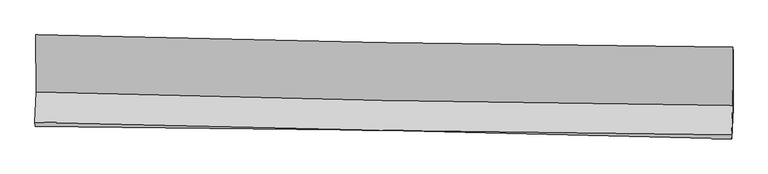
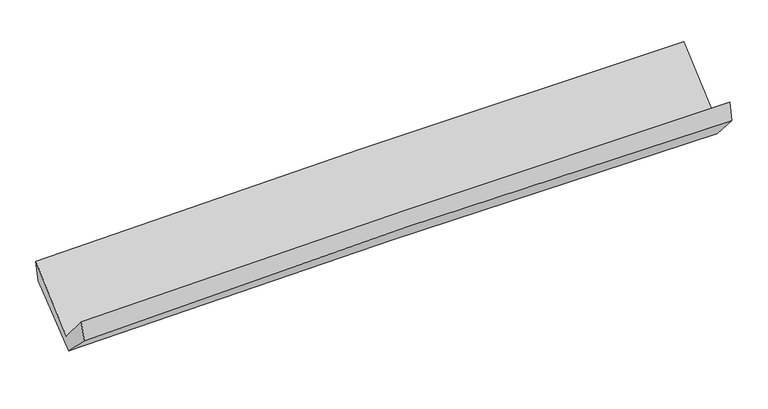
"""IFC4 building model written with IfcOpenShell, lengths in millimetres: proxy geometry."""

from ifc_helpers import new_model, si_unit, frame, origin, place, context, project, spatial, source, transform, mapped, element, save
from ifc_brep_helpers import plane_surface, spline_curve, spline_surface, advanced_brep


def generic_models_426780ea(model_context):
    return source(origin(), model_context, "Body", "AdvancedBrep", [
        advanced_brep(
        [(-3026.8435698, -1158.5422361, 2158.8285344), (-3025.5397801, -1655.3954101, 1712.8811737), (3016.2365511, -1773.6202399, 1859.151815), (3015.1492239, -1266.873359, 2302.2721606), (-3036.0794113, -1918.2347335, 2019.2536153), (3005.8425916, -2029.801619, 2163.6216345), (-3033.2955486, -1956.2644483, 1855.5025174), (3008.6131844, -2065.020652, 2002.6778996), (-3023.5573877, -1692.2870681, 1588.7115363), (3018.8932611, -1802.468688, 1708.6182367), (-3023.8488013, -1194.8118173, 1986.2492298), (3018.450422, -1300.1849464, 2117.1749915)],
        [
            (0, 1),
            (1, 2, spline_curve(3, [(-3025.5397801, -1655.3954101, 1712.8811737), (-2019.138578767, -1685.717434816, 1755.031686153), (-1012.444609062, -1710.73062453, 1788.296241232), (1001.480862681, -1750.138394934, 1837.052274404), (2008.712336699, -1764.533481666, 1852.544599895), (3016.2365511, -1773.6202399, 1859.151815)], [4, 2, 4], [0.0, 9.91663822801782, 19.832803714895242])),
            (2, 3),
            (3, 0, spline_curve(3, [(3015.1492239, -1266.873359, 2302.2721606), (2007.537913173, -1258.121549995, 2299.612773265), (1000.244852105, -1244.718377843, 2286.32998226), (-1013.752776006, -1208.608447029, 2238.516452841), (-2020.457313172, -1185.90124468, 2203.984701889), (-3026.8435698, -1158.5422361, 2158.8285344)], [4, 2, 4], [0.0, 9.916165486877421, 19.832803714895242])),
            (1, 4),
            (4, 5, spline_curve(3, [(-3036.0794113, -1918.2347335, 2019.2536153), (-2029.766554223, -1948.269377728, 2065.891930936), (-1023.104615907, -1972.584025292, 2101.241774356), (990.869418369, -2009.772441873, 2149.363371402), (1998.181480739, -2022.646755886, 2162.13620056), (3005.8425916, -2029.801619, 2163.6216345)], [4, 2, 4], [0.0, 9.916810035179472, 19.83314732102824])),
            (5, 2),
            (4, 6),
            (6, 7, spline_curve(3, [(-3033.2955486, -1956.2644483, 1855.5025174), (-2026.456029758, -1961.763613582, 1895.620018241), (-1019.531872315, -1973.576579859, 1927.943490531), (994.437713083, -2009.829249411, 1977.001208113), (2001.483133516, -2034.268351283, 1993.736196707), (3008.6131844, -2065.020652, 2002.6778996)], [4, 2, 4], [0.0, 9.91656012498785, 19.83264751255859])),
            (7, 5),
            (6, 8),
            (8, 9, spline_curve(3, [(-3023.5573877, -1692.2870681, 1588.7115363), (-2016.619764941, -1702.913671182, 1620.139103421), (-1009.601395026, -1717.409085157, 1645.845213895), (1004.548829088, -1754.136660793, 1685.813568407), (2011.680675376, -1776.368453181, 1700.076358105), (3018.8932611, -1802.468688, 1708.6182367)], [4, 2, 4], [0.0, 9.916343645864975, 19.83221456463273])),
            (9, 7),
            (8, 10),
            (10, 11, spline_curve(3, [(-3023.8488013, -1194.8118173, 1986.2492298), (-2016.986891756, -1203.034155896, 2023.186371244), (-1010.01899711, -1215.926739769, 2052.565501961), (1004.080754175, -1251.051561184, 2096.206702194), (2011.212600611, -1273.283353745, 2110.469491889), (3018.450422, -1300.1849464, 2117.1749915)], [4, 2, 4], [0.0, 9.916283013863826, 19.83209330352085])),
            (11, 9),
            (10, 0),
            (3, 11),
        ],
        [
            spline_surface(3, 3, [[(-3026.8435698, -1158.5422361, 2158.8285344), (-2020.457313068, -1185.90124483, 2203.984701933), (-1013.752776064, -1208.60844703, 2238.516452986), (1000.244852163, -1244.718377842, 2286.329982115), (2007.537913095, -1258.121549905, 2299.612773124), (3015.1492239, -1266.873359, 2302.2721606)], [(-3026.408973234, -1324.159960774, 2010.179414158), (-2020.017734971, -1352.506641479, 2054.333696657), (-1013.316720394, -1375.982506188, 2088.443049075), (1000.656855634, -1413.191716886, 2136.570746244), (2007.929387604, -1426.925527205, 2150.59004868), (3015.5116663, -1435.788985972, 2154.565378732)], [(-3025.974376666, -1489.777685426, 1861.530293942), (-2019.578156872, -1519.112038105, 1904.682691407), (-1012.880664675, -1543.356565339, 1938.369645104), (1001.068859154, -1581.665055922, 1986.811510314), (2008.320862113, -1595.729504489, 2001.567324239), (3015.8741087, -1604.704612928, 2006.858596868)], [(-3025.5397801, -1655.3954101, 1712.8811737), (-2019.138578774, -1685.717434754, 1755.031686131), (-1012.444609005, -1710.730624498, 1788.296241193), (1001.480862624, -1750.138394966, 1837.052274442), (2008.712336622, -1764.533481789, 1852.544599794), (3016.2365511, -1773.6202399, 1859.151815)]], [4, 4], [4, 2, 4], [0.0, 2.2156262762830927], [0.0, 9.91663822801782, 19.832803714895242]),
            spline_surface(3, 3, [[(-3025.5397801, -1655.3954101, 1712.8811737), (-2019.138578774, -1685.717434754, 1755.031686131), (-1012.444609005, -1710.730624498, 1788.296241193), (1001.480862624, -1750.138394966, 1837.052274442), (2008.712336622, -1764.533481789, 1852.544599794), (3016.2365511, -1773.6202399, 1859.151815)], [(-3029.052990526, -1743.008517898, 1815.005320886), (-2022.681237324, -1773.234749023, 1858.651767671), (-1015.997944634, -1798.015091429, 1892.611418946), (997.943714541, -1836.68307724, 1941.155973381), (2005.202051373, -1850.57123981, 1955.741800058), (3012.771897942, -1859.014032927, 1960.641754802)], [(-3032.566200874, -1830.621625702, 1917.129468114), (-2026.223895796, -1860.752063297, 1962.271849253), (-1019.551280273, -1885.299558403, 1996.926596722), (994.406566447, -1923.227759557, 2045.259672344), (2001.6917661, -1936.608997851, 2058.939000417), (3009.307244758, -1944.407825973, 2062.131694698)], [(-3036.0794113, -1918.2347335, 2019.2536153), (-2029.766554346, -1948.269377566, 2065.891930792), (-1023.104615902, -1972.584025334, 2101.241774475), (990.869418364, -2009.772441831, 2149.363371283), (1998.181480852, -2022.646755872, 2162.136200681), (3005.8425916, -2029.801619, 2163.6216345)]], [4, 4], [4, 2, 4], [0.0, 1.3360589911587826], [0.0, 9.916810035179472, 19.83314732102824]),
            spline_surface(3, 3, [[(-3036.0794113, -1918.2347335, 2019.2536153), (-2029.766554346, -1948.269377566, 2065.891930792), (-1023.104615902, -1972.584025334, 2101.241774475), (990.869418364, -2009.772441831, 2149.363371283), (1998.181480852, -2022.646755872, 2162.136200681), (3005.8425916, -2029.801619, 2163.6216345)], [(-3035.151457054, -1930.911305118, 1964.669916003), (-2028.663046132, -1952.767456249, 2009.134626646), (-1021.913701424, -1972.914876804, 2043.475679833), (992.058849995, -2009.791377751, 2091.909316917), (1999.282031778, -2026.520621019, 2106.002866034), (3006.76612252, -2041.541296657, 2109.973722871)], [(-3034.223502846, -1943.587876682, 1910.086216697), (-2027.559537957, -1957.265534878, 1952.37732249), (-1020.722786957, -1973.245728241, 1985.709585145), (993.248281616, -2009.810313638, 2034.455262507), (2000.382582744, -2030.394486193, 2049.869531375), (3007.68965348, -2053.280974343, 2056.325811229)], [(-3033.2955486, -1956.2644483, 1855.5025174), (-2026.456029742, -1961.763613561, 1895.620018344), (-1019.53187248, -1973.576579711, 1927.943490503), (994.437713247, -2009.829249558, 1977.001208141), (2001.48313367, -2034.26835134, 1993.736196728), (3008.6131844, -2065.020652, 2002.6778996)]], [4, 4], [4, 2, 4], [0.0, 0.5671519687550411], [0.0, 9.91656012498785, 19.83264751255859]),
            spline_surface(3, 3, [[(-3033.2955486, -1956.2644483, 1855.5025174), (-2026.456029742, -1961.763613561, 1895.620018344), (-1019.53187248, -1973.576579711, 1927.943490503), (994.437713247, -2009.829249558, 1977.001208141), (2001.48313367, -2034.26835134, 1993.736196728), (3008.6131844, -2065.020652, 2002.6778996)], [(-3030.049494971, -1868.271988218, 1766.572190387), (-2023.177274774, -1875.480299379, 1803.793046708), (-1016.221713295, -1888.187414894, 1833.910731584), (997.808085182, -1924.598386628, 1879.938661559), (2004.882314262, -1948.301718635, 1895.849583898), (3012.039876651, -1977.503330688, 1904.658011995)], [(-3026.803441329, -1780.279528182, 1677.641863313), (-2019.898519793, -1789.196985243, 1711.96607501), (-1012.911554142, -1802.798250037, 1739.877972745), (1001.178457086, -1839.36752366, 1782.876115056), (2008.281494801, -1862.335085865, 1797.962970981), (3015.466568849, -1889.986009312, 1806.638124305)], [(-3023.5573877, -1692.2870681, 1588.7115363), (-2016.619764825, -1702.91367106, 1620.139103374), (-1009.601394958, -1717.40908522, 1645.845213827), (1004.54882902, -1754.13666073, 1685.813568474), (2011.680675394, -1776.368453161, 1700.076358151), (3018.8932611, -1802.468688, 1708.6182367)]], [4, 4], [4, 2, 4], [0.0, 1.261160444269216], [0.0, 9.916343645864975, 19.83221456463273]),
            spline_surface(3, 3, [[(-3023.5573877, -1692.2870681, 1588.7115363), (-2016.619764825, -1702.91367106, 1620.139103374), (-1009.601394958, -1717.40908522, 1645.845213827), (1004.54882902, -1754.13666073, 1685.813568474), (2011.680675394, -1776.368453161, 1700.076358151), (3018.8932611, -1802.468688, 1708.6182367)], [(-3023.654525567, -1526.461984515, 1721.2241008), (-2016.742140488, -1536.287165965, 1754.48819268), (-1009.740595685, -1550.248303364, 1781.418643275), (1004.392804032, -1586.441627583, 1822.611279699), (2011.524650405, -1608.673420014, 1836.874069375), (3018.745648042, -1635.040774132, 1844.803821628)], [(-3023.751663433, -1360.636900885, 1853.7366653), (-2016.864516149, -1369.660660827, 1888.837281985), (-1009.879796337, -1383.087521514, 1916.992072641), (1004.236779118, -1418.746594442, 1959.408990841), (2011.368625492, -1440.978386872, 1973.671780617), (3018.598035058, -1467.612860268, 1980.989406572)], [(-3023.8488013, -1194.8118173, 1986.2492298), (-2016.986891812, -1203.034155733, 2023.186371291), (-1010.018997064, -1215.926739658, 2052.565502089), (1004.08075413, -1251.051561295, 2096.206702065), (2011.212600503, -1273.283353726, 2110.469491842), (3018.450422, -1300.1849464, 2117.1749915)]], [4, 4], [4, 2, 4], [0.0, 2.1242206010866425], [0.0, 9.916283013863826, 19.83209330352085]),
            spline_surface(3, 3, [[(-3023.8488013, -1194.8118173, 1986.2492298), (-2016.986891812, -1203.034155733, 2023.186371291), (-1010.018997064, -1215.926739658, 2052.565502089), (1004.08075413, -1251.051561295, 2096.206702065), (2011.212600503, -1273.283353726, 2110.469491842), (3018.450422, -1300.1849464, 2117.1749915)], [(-3024.847057448, -1182.721956877, 2043.775664666), (-2018.143698879, -1197.323185409, 2083.452481504), (-1011.26359004, -1213.487308772, 2114.54915236), (1002.802120165, -1248.940500134, 2159.581128721), (2009.987704712, -1268.229419109, 2173.517252275), (3017.350022645, -1289.081083924, 2178.874047872)], [(-3025.845313652, -1170.632096523, 2101.302099534), (-2019.300506002, -1191.612215154, 2143.71859172), (-1012.508183088, -1211.047877916, 2176.532802715), (1001.523486128, -1246.829439003, 2222.95555546), (2008.762808886, -1263.175484521, 2236.565012691), (3016.249623255, -1277.977221476, 2240.573104228)], [(-3026.8435698, -1158.5422361, 2158.8285344), (-2020.457313068, -1185.90124483, 2203.984701933), (-1013.752776064, -1208.60844703, 2238.516452986), (1000.244852163, -1244.718377842, 2286.329982115), (2007.537913095, -1258.121549905, 2299.612773124), (3015.1492239, -1266.873359, 2302.2721606)]], [4, 4], [4, 2, 4], [0.0, 0.617450541415057], [0.0, 9.916399486144092, 19.83232624252897]),
            plane_surface(frame((3013.8642057, -1706.3282507, 2025.586123), z_axis=(0.9996583830376686, -0.01595639896115978, 0.020700496484540237), x_axis=(-0.0006839610467409937, 0.7757726354622063, 0.6310121633259611))),
            plane_surface(frame((-3028.1940831, -1595.9226189, 1886.9044345), z_axis=(-0.9996583830373921, 0.01595639896995469, -0.020700496491109596), x_axis=(0.01697957171803236, -0.20563925655328347, -0.9784805518294603))),
        ],
        [
            (0, [[1, 2, 3, 4]]),
            (1, [[5, 6, 7, -2]]),
            (2, [[8, 9, 10, -6]]),
            (3, [[11, 12, 13, -9]]),
            (4, [[14, 15, 16, -12]]),
            (5, [[17, -4, 18, -15]]),
            (6, [[-16, -18, -3, -7, -10, -13]]),
            (7, [[-17, -14, -11, -8, -5, -1]]),
        ],
    ),
    ])


if __name__ == "__main__":
    model = new_model("IFC4")
    model_context = context("Model", 3, world=origin())
    ifc_project = project(units=[si_unit("LENGTHUNIT", "METRE", prefix="MILLI")], contexts=[model_context])
    site = spatial("IfcSite", under=ifc_project)
    building = spatial("IfcBuilding", under=site)
    placement = place(None, origin())
    generic_models_shape = generic_models_426780ea(model_context)
    element("IfcBuildingElementProxy", 1, Name="Generic Models", at=placement, inside=building, context=model_context, shape_type="MappedRepresentation", body=[
        mapped(generic_models_shape, transform((0.0, 0.0, 0.0), x_axis=(1.0, 0.0, 0.0), y_axis=(0.0, 1.0, 0.0), z_axis=(0.0, 0.0, 1.0))),
    ])
    save(model, "model.ifc")
